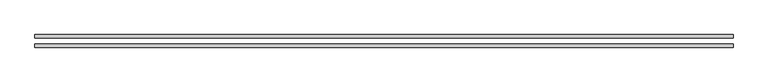
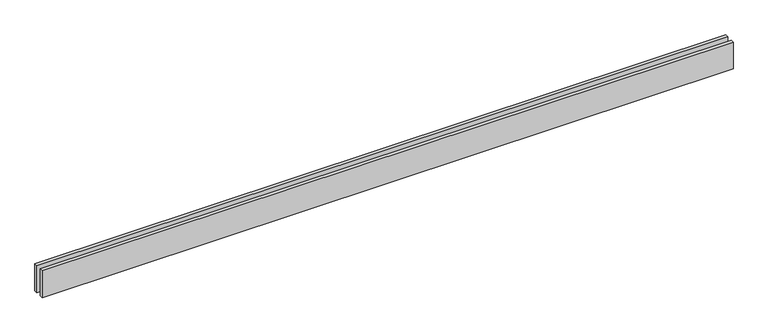
"""IFC4 building model written with IfcOpenShell, lengths in millimetres: proxy geometry."""

import ifcopenshell
import ifcopenshell.guid

model = None  # the IFC model being written
_history = None  # IfcOwnerHistory: only IFC2X3 demands one
_inside = {}  # id of a spatial element -> (the spatial element, [elements in it])
_under = {}  # id of a project, library or spatial element -> (it, [spatial elements below it])
_declared = {}  # id of a project -> (the project, [libraries it declares])
_typed = {}  # id of a type object -> (the type object, [elements of that type])
_made_of = {}  # id of a material, layer set ... -> (it, [elements and type objects made of it])


def new_model(schema):
    """Start an empty IFC model of exactly this schema.

    Asked for "IFC4X3", IfcOpenShell would pick the latest addendum, in which some entities
    have other attributes; the version numbers below select the first issue.
    IFC2X3 requires an IfcOwnerHistory on every rooted entity: one is made here for all.
    """
    global model, _history
    if schema == "IFC4X3":
        model = ifcopenshell.file(schema_version=(4, 3, 0, 0))
    else:
        model = ifcopenshell.file(schema=schema)
    _inside.clear()
    _under.clear()
    _declared.clear()
    _typed.clear()
    _made_of.clear()
    _history = None
    if model.schema == "IFC2X3":
        org = make("IfcOrganization", Name="unknown")
        user = make(
            "IfcPersonAndOrganization",
            ThePerson=make("IfcPerson", FamilyName="unknown"),
            TheOrganization=org,
        )
        app = make(
            "IfcApplication",
            ApplicationDeveloper=org,
            Version="unknown",
            ApplicationFullName="unknown",
            ApplicationIdentifier="unknown",
        )
        _history = make(
            "IfcOwnerHistory",
            OwningUser=user,
            OwningApplication=app,
            ChangeAction="ADDED",
            CreationDate=0,
        )
    return model


def make(cls, **values):
    """One entity of the class cls with the attributes given. An attribute that is None is left unset."""
    return model.create_entity(
        cls, **{name: value for name, value in values.items() if value is not None}
    )


def rooted(cls, **values):
    """An entity with a GlobalId (a new one), such as an element, a storey or a relation."""
    return make(cls, GlobalId=ifcopenshell.guid.new(), OwnerHistory=_history, **values)


def si_unit(unit_type, name, prefix=None):
    """IfcSIUnit, for example si_unit("LENGTHUNIT", "METRE", prefix="MILLI")."""
    return make("IfcSIUnit", UnitType=unit_type, Prefix=prefix, Name=name)


def assignment(units):
    """IfcUnitAssignment: the units of a project."""
    return None if units is None else make("IfcUnitAssignment", Units=units)


def point(xyz):
    """IfcCartesianPoint."""
    return None if xyz is None else make("IfcCartesianPoint", Coordinates=xyz)


def direction(xyz):
    """IfcDirection."""
    return None if xyz is None else make("IfcDirection", DirectionRatios=xyz)


def frame(location, z_axis=None, x_axis=None):
    """IfcAxis2Placement3D, a coordinate frame: its origin and axes. An axis left out is left unset."""
    return make(
        "IfcAxis2Placement3D",
        Location=point(location),
        Axis=direction(z_axis),
        RefDirection=direction(x_axis),
    )


def origin():
    """The frame at (0, 0, 0) with its axes left unset."""
    return frame((0.0, 0.0, 0.0))


def origin_with_axes():
    """The frame at (0, 0, 0) with the z axis (0, 0, 1) and the x axis (1, 0, 0) written out."""
    return frame((0.0, 0.0, 0.0), z_axis=(0.0, 0.0, 1.0), x_axis=(1.0, 0.0, 0.0))


def place(relative_to, where):
    """IfcLocalPlacement: puts the frame where relative to a parent placement (None: the world)."""
    return make(
        "IfcLocalPlacement", PlacementRelTo=relative_to, RelativePlacement=where
    )


def context(
    kind, dimensions, precision=None, world=None, true_north=None, identifier=None
):
    """IfcGeometricRepresentationContext, for example the 3D "Model" context."""
    return make(
        "IfcGeometricRepresentationContext",
        ContextIdentifier=identifier,
        ContextType=kind,
        CoordinateSpaceDimension=dimensions,
        Precision=precision,
        WorldCoordinateSystem=world,
        TrueNorth=true_north,
    )


def project(units=None, contexts=None):
    """IfcProject with its units and contexts."""
    return rooted(
        "IfcProject",
        Name="project",
        RepresentationContexts=contexts,
        UnitsInContext=assignment(units),
    )


def spatial(cls, under=None, at=None, **own):
    """A site, building, storey or space (cls), placed at a placement, below another one or the project."""
    s = rooted(cls, ObjectPlacement=at, **own)
    if under is not None:
        _under.setdefault(under.id(), (under, []))[1].append(s)
    return s


def polyline(points):
    """IfcPolyline through the points."""
    return make("IfcPolyline", Points=[point(p) for p in points])


def outline(outer, holes=None, kind="AREA"):
    """IfcArbitraryClosedProfileDef: a profile drawn as a closed curve; with holes, ...WithVoids."""
    if holes is None:
        return make("IfcArbitraryClosedProfileDef", ProfileType=kind, OuterCurve=outer)
    return make(
        "IfcArbitraryProfileDefWithVoids",
        ProfileType=kind,
        OuterCurve=outer,
        InnerCurves=holes,
    )


def extrude(swept, where, along, depth):
    """IfcExtrudedAreaSolid: the profile swept, set in the frame where, extruded along a direction by depth."""
    return make(
        "IfcExtrudedAreaSolid",
        SweptArea=swept,
        Position=where,
        ExtrudedDirection=direction(along),
        Depth=depth,
    )


def shape(context_of_items, identifier, shape_type, items):
    """IfcShapeRepresentation: the items that make up one representation, for example the "Body"."""
    return make(
        "IfcShapeRepresentation",
        ContextOfItems=context_of_items,
        RepresentationIdentifier=identifier,
        RepresentationType=shape_type,
        Items=items,
    )


def source(mapping_origin, context_of_items, identifier, shape_type, items):
    """IfcRepresentationMap: a shape defined once, which mapped items show again and again."""
    return make(
        "IfcRepresentationMap",
        MappingOrigin=mapping_origin,
        MappedRepresentation=shape(context_of_items, identifier, shape_type, items),
    )


def transform(
    local_origin,
    x_axis=None,
    y_axis=None,
    z_axis=None,
    scale=None,
    scale2=None,
    scale3=None,
    uniform=True,
):
    """IfcCartesianTransformationOperator3D, or its non-uniform kind. x_axis, y_axis, z_axis: its Axis1, 2, 3."""
    if uniform:
        return make(
            "IfcCartesianTransformationOperator3D",
            Axis1=direction(x_axis),
            Axis2=direction(y_axis),
            LocalOrigin=point(local_origin),
            Scale=scale,
            Axis3=direction(z_axis),
        )
    return make(
        "IfcCartesianTransformationOperator3DnonUniform",
        Axis1=direction(x_axis),
        Axis2=direction(y_axis),
        LocalOrigin=point(local_origin),
        Scale=scale,
        Axis3=direction(z_axis),
        Scale2=scale2,
        Scale3=scale3,
    )


def mapped(mapping_source, mapping_target):
    """IfcMappedItem: shows the shape of a source again, moved by a transform."""
    return make(
        "IfcMappedItem", MappingSource=mapping_source, MappingTarget=mapping_target
    )


def made_of(thing, what):
    """Note that an element or type object is made of a material, layer set ...; save() writes the relation."""
    if what is not None:
        _made_of.setdefault(what.id(), (what, []))[1].append(thing)
    return thing


def element(
    cls,
    number,
    at=None,
    inside=None,
    cuts=None,
    type_object=None,
    material=None,
    context=None,
    identifier="Body",
    shape_type=None,
    held_by="IfcProductDefinitionShape",
    body=None,
    shapes=None,
    **own,
):
    """One element of the class cls, such as IfcWall. Its Tag is "e" and its number.

    at: its placement. inside: the storey or other place that contains it. cuts: it is an
    opening in that element (IfcRelVoidsElement). A single representation is given by context,
    identifier, shape_type and body (its items); several are given by shapes. held_by: the class
    of the entity that holds the representations. save() writes the other relations.
    """
    e = rooted(cls, Tag="e%d" % number, ObjectPlacement=at, **own)
    if body is not None:
        shapes = [shape(context, identifier, shape_type, body)]
    if shapes is not None:
        e.Representation = make(held_by, Representations=shapes)
    if inside is not None:
        _inside.setdefault(inside.id(), (inside, []))[1].append(e)
    if cuts is not None:
        rooted(
            "IfcRelVoidsElement", RelatingBuildingElement=cuts, RelatedOpeningElement=e
        )
    if type_object is not None:
        _typed.setdefault(type_object.id(), (type_object, []))[1].append(e)
    return made_of(e, material)


def aggregate(whole, parts):
    """IfcRelAggregates: a whole, such as a stair, and the parts it consists of."""
    return rooted("IfcRelAggregates", RelatingObject=whole, RelatedObjects=parts)


def save(model, path):
    """Write the relations noted so far, then the file.

    IfcRelAggregates (storeys below a building ...), IfcRelContainedInSpatialStructure (elements
    in a storey), IfcRelDefinesByType, IfcRelAssociatesMaterial and IfcRelDeclares: one each for
    every whole, place, type object, material and project.
    """
    for whole, parts in _under.values():
        aggregate(whole, parts)
    for where, things in _inside.values():
        rooted(
            "IfcRelContainedInSpatialStructure",
            RelatedElements=things,
            RelatingStructure=where,
        )
    for kind, things in _typed.values():
        rooted("IfcRelDefinesByType", RelatedObjects=things, RelatingType=kind)
    for what, things in _made_of.values():
        rooted("IfcRelAssociatesMaterial", RelatedObjects=things, RelatingMaterial=what)
    for by, libraries in _declared.values():
        rooted("IfcRelDeclares", RelatingContext=by, RelatedDefinitions=libraries)
    model.write(path)


def generic_models_c1dace9a(model_context):
    return source(origin(), model_context, "Body", "SweptSolid", [
        extrude(outline(polyline([(6080.0, 25.0), (0.0, 25.0), (0.0, 55.0), (6080.0, 55.0), (6080.0, 25.0)])), origin_with_axes(), (0.0, 0.0, 1.0), 250.0),
        extrude(outline(polyline([(6080.0, -55.0), (0.0, -55.0), (0.0, -25.0), (6080.0, -25.0), (6080.0, -55.0)])), origin_with_axes(), (0.0, 0.0, 1.0), 250.0),
    ])


if __name__ == "__main__":
    model = new_model("IFC4")
    model_context = context("Model", 3, world=origin())
    ifc_project = project(units=[si_unit("LENGTHUNIT", "METRE", prefix="MILLI")], contexts=[model_context])
    site = spatial("IfcSite", under=ifc_project)
    building = spatial("IfcBuilding", under=site)
    placement = place(None, origin())
    generic_models_shape = generic_models_c1dace9a(model_context)
    element("IfcBuildingElementProxy", 1, Name="Generic Models", at=placement, inside=building, context=model_context, shape_type="MappedRepresentation", body=[
        mapped(generic_models_shape, transform((0.0, 0.0, 0.0), x_axis=(1.0, 0.0, 0.0), y_axis=(0.0, 1.0, 0.0), z_axis=(0.0, 0.0, 1.0))),
    ])
    save(model, "model.ifc")
